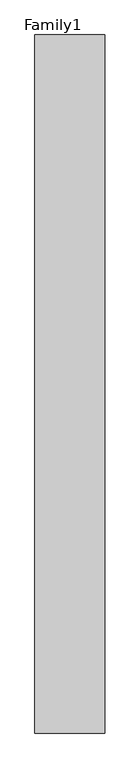
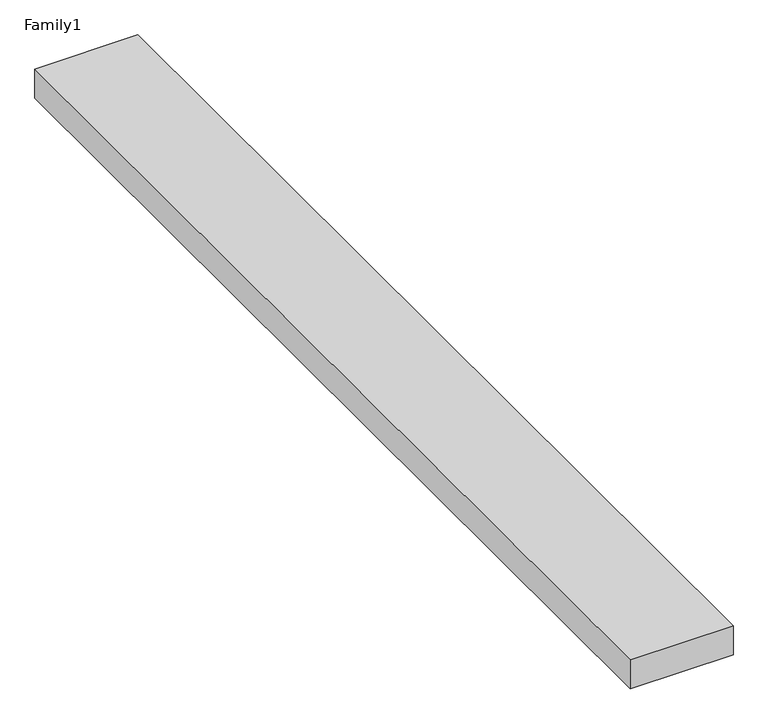
"""IFC4 building model written with IfcOpenShell, lengths in millimetres: proxy geometry, Family1."""

import ifcopenshell
import ifcopenshell.guid

model = None  # the IFC model being written
_history = None  # IfcOwnerHistory: only IFC2X3 demands one
_inside = {}  # id of a spatial element -> (the spatial element, [elements in it])
_under = {}  # id of a project, library or spatial element -> (it, [spatial elements below it])
_declared = {}  # id of a project -> (the project, [libraries it declares])
_typed = {}  # id of a type object -> (the type object, [elements of that type])
_made_of = {}  # id of a material, layer set ... -> (it, [elements and type objects made of it])


def new_model(schema):
    """Start an empty IFC model of exactly this schema.

    Asked for "IFC4X3", IfcOpenShell would pick the latest addendum, in which some entities
    have other attributes; the version numbers below select the first issue.
    IFC2X3 requires an IfcOwnerHistory on every rooted entity: one is made here for all.
    """
    global model, _history
    if schema == "IFC4X3":
        model = ifcopenshell.file(schema_version=(4, 3, 0, 0))
    else:
        model = ifcopenshell.file(schema=schema)
    _inside.clear()
    _under.clear()
    _declared.clear()
    _typed.clear()
    _made_of.clear()
    _history = None
    if model.schema == "IFC2X3":
        org = make("IfcOrganization", Name="unknown")
        user = make(
            "IfcPersonAndOrganization",
            ThePerson=make("IfcPerson", FamilyName="unknown"),
            TheOrganization=org,
        )
        app = make(
            "IfcApplication",
            ApplicationDeveloper=org,
            Version="unknown",
            ApplicationFullName="unknown",
            ApplicationIdentifier="unknown",
        )
        _history = make(
            "IfcOwnerHistory",
            OwningUser=user,
            OwningApplication=app,
            ChangeAction="ADDED",
            CreationDate=0,
        )
    return model


def make(cls, **values):
    """One entity of the class cls with the attributes given. An attribute that is None is left unset."""
    return model.create_entity(
        cls, **{name: value for name, value in values.items() if value is not None}
    )


def rooted(cls, **values):
    """An entity with a GlobalId (a new one), such as an element, a storey or a relation."""
    return make(cls, GlobalId=ifcopenshell.guid.new(), OwnerHistory=_history, **values)


def si_unit(unit_type, name, prefix=None):
    """IfcSIUnit, for example si_unit("LENGTHUNIT", "METRE", prefix="MILLI")."""
    return make("IfcSIUnit", UnitType=unit_type, Prefix=prefix, Name=name)


def assignment(units):
    """IfcUnitAssignment: the units of a project."""
    return None if units is None else make("IfcUnitAssignment", Units=units)


def point(xyz):
    """IfcCartesianPoint."""
    return None if xyz is None else make("IfcCartesianPoint", Coordinates=xyz)


def direction(xyz):
    """IfcDirection."""
    return None if xyz is None else make("IfcDirection", DirectionRatios=xyz)


def frame(location, z_axis=None, x_axis=None):
    """IfcAxis2Placement3D, a coordinate frame: its origin and axes. An axis left out is left unset."""
    return make(
        "IfcAxis2Placement3D",
        Location=point(location),
        Axis=direction(z_axis),
        RefDirection=direction(x_axis),
    )


def origin():
    """The frame at (0, 0, 0) with its axes left unset."""
    return frame((0.0, 0.0, 0.0))


def origin_with_axes():
    """The frame at (0, 0, 0) with the z axis (0, 0, 1) and the x axis (1, 0, 0) written out."""
    return frame((0.0, 0.0, 0.0), z_axis=(0.0, 0.0, 1.0), x_axis=(1.0, 0.0, 0.0))


def place(relative_to, where):
    """IfcLocalPlacement: puts the frame where relative to a parent placement (None: the world)."""
    return make(
        "IfcLocalPlacement", PlacementRelTo=relative_to, RelativePlacement=where
    )


def context(
    kind, dimensions, precision=None, world=None, true_north=None, identifier=None
):
    """IfcGeometricRepresentationContext, for example the 3D "Model" context."""
    return make(
        "IfcGeometricRepresentationContext",
        ContextIdentifier=identifier,
        ContextType=kind,
        CoordinateSpaceDimension=dimensions,
        Precision=precision,
        WorldCoordinateSystem=world,
        TrueNorth=true_north,
    )


def project(units=None, contexts=None):
    """IfcProject with its units and contexts."""
    return rooted(
        "IfcProject",
        Name="project",
        RepresentationContexts=contexts,
        UnitsInContext=assignment(units),
    )


def spatial(cls, under=None, at=None, **own):
    """A site, building, storey or space (cls), placed at a placement, below another one or the project."""
    s = rooted(cls, ObjectPlacement=at, **own)
    if under is not None:
        _under.setdefault(under.id(), (under, []))[1].append(s)
    return s


def polyline(points):
    """IfcPolyline through the points."""
    return make("IfcPolyline", Points=[point(p) for p in points])


def outline(outer, holes=None, kind="AREA"):
    """IfcArbitraryClosedProfileDef: a profile drawn as a closed curve; with holes, ...WithVoids."""
    if holes is None:
        return make("IfcArbitraryClosedProfileDef", ProfileType=kind, OuterCurve=outer)
    return make(
        "IfcArbitraryProfileDefWithVoids",
        ProfileType=kind,
        OuterCurve=outer,
        InnerCurves=holes,
    )


def extrude(swept, where, along, depth):
    """IfcExtrudedAreaSolid: the profile swept, set in the frame where, extruded along a direction by depth."""
    return make(
        "IfcExtrudedAreaSolid",
        SweptArea=swept,
        Position=where,
        ExtrudedDirection=direction(along),
        Depth=depth,
    )


def shape(context_of_items, identifier, shape_type, items):
    """IfcShapeRepresentation: the items that make up one representation, for example the "Body"."""
    return make(
        "IfcShapeRepresentation",
        ContextOfItems=context_of_items,
        RepresentationIdentifier=identifier,
        RepresentationType=shape_type,
        Items=items,
    )


def source(mapping_origin, context_of_items, identifier, shape_type, items):
    """IfcRepresentationMap: a shape defined once, which mapped items show again and again."""
    return make(
        "IfcRepresentationMap",
        MappingOrigin=mapping_origin,
        MappedRepresentation=shape(context_of_items, identifier, shape_type, items),
    )


def transform(
    local_origin,
    x_axis=None,
    y_axis=None,
    z_axis=None,
    scale=None,
    scale2=None,
    scale3=None,
    uniform=True,
):
    """IfcCartesianTransformationOperator3D, or its non-uniform kind. x_axis, y_axis, z_axis: its Axis1, 2, 3."""
    if uniform:
        return make(
            "IfcCartesianTransformationOperator3D",
            Axis1=direction(x_axis),
            Axis2=direction(y_axis),
            LocalOrigin=point(local_origin),
            Scale=scale,
            Axis3=direction(z_axis),
        )
    return make(
        "IfcCartesianTransformationOperator3DnonUniform",
        Axis1=direction(x_axis),
        Axis2=direction(y_axis),
        LocalOrigin=point(local_origin),
        Scale=scale,
        Axis3=direction(z_axis),
        Scale2=scale2,
        Scale3=scale3,
    )


def mapped(mapping_source, mapping_target):
    """IfcMappedItem: shows the shape of a source again, moved by a transform."""
    return make(
        "IfcMappedItem", MappingSource=mapping_source, MappingTarget=mapping_target
    )


def made_of(thing, what):
    """Note that an element or type object is made of a material, layer set ...; save() writes the relation."""
    if what is not None:
        _made_of.setdefault(what.id(), (what, []))[1].append(thing)
    return thing


def element(
    cls,
    number,
    at=None,
    inside=None,
    cuts=None,
    type_object=None,
    material=None,
    context=None,
    identifier="Body",
    shape_type=None,
    held_by="IfcProductDefinitionShape",
    body=None,
    shapes=None,
    **own,
):
    """One element of the class cls, such as IfcWall. Its Tag is "e" and its number.

    at: its placement. inside: the storey or other place that contains it. cuts: it is an
    opening in that element (IfcRelVoidsElement). A single representation is given by context,
    identifier, shape_type and body (its items); several are given by shapes. held_by: the class
    of the entity that holds the representations. save() writes the other relations.
    """
    e = rooted(cls, Tag="e%d" % number, ObjectPlacement=at, **own)
    if body is not None:
        shapes = [shape(context, identifier, shape_type, body)]
    if shapes is not None:
        e.Representation = make(held_by, Representations=shapes)
    if inside is not None:
        _inside.setdefault(inside.id(), (inside, []))[1].append(e)
    if cuts is not None:
        rooted(
            "IfcRelVoidsElement", RelatingBuildingElement=cuts, RelatedOpeningElement=e
        )
    if type_object is not None:
        _typed.setdefault(type_object.id(), (type_object, []))[1].append(e)
    return made_of(e, material)


def aggregate(whole, parts):
    """IfcRelAggregates: a whole, such as a stair, and the parts it consists of."""
    return rooted("IfcRelAggregates", RelatingObject=whole, RelatedObjects=parts)


def save(model, path):
    """Write the relations noted so far, then the file.

    IfcRelAggregates (storeys below a building ...), IfcRelContainedInSpatialStructure (elements
    in a storey), IfcRelDefinesByType, IfcRelAssociatesMaterial and IfcRelDeclares: one each for
    every whole, place, type object, material and project.
    """
    for whole, parts in _under.values():
        aggregate(whole, parts)
    for where, things in _inside.values():
        rooted(
            "IfcRelContainedInSpatialStructure",
            RelatedElements=things,
            RelatingStructure=where,
        )
    for kind, things in _typed.values():
        rooted("IfcRelDefinesByType", RelatedObjects=things, RelatingType=kind)
    for what, things in _made_of.values():
        rooted("IfcRelAssociatesMaterial", RelatedObjects=things, RelatingMaterial=what)
    for by, libraries in _declared.values():
        rooted("IfcRelDeclares", RelatingContext=by, RelatedDefinitions=libraries)
    model.write(path)


def family1_d8481dee(model_context):
    return source(origin(), model_context, "Body", "SweptSolid", [
        extrude(outline(polyline([(5000.0, 0.0), (0.0, 0.0), (0.0, 50000.0), (5000.0, 50000.0), (5000.0, 0.0)])), origin_with_axes(), (0.0, 0.0, 1.0), 1489.0),
    ])


if __name__ == "__main__":
    model = new_model("IFC4")
    model_context = context("Model", 3, world=origin())
    ifc_project = project(units=[si_unit("LENGTHUNIT", "METRE", prefix="MILLI")], contexts=[model_context])
    site = spatial("IfcSite", under=ifc_project)
    building = spatial("IfcBuilding", under=site)
    placement = place(None, origin())
    family1_shape = family1_d8481dee(model_context)
    element("IfcBuildingElementProxy", 1, Name="Family1", ObjectType="Family1", at=placement, inside=building, context=model_context, shape_type="MappedRepresentation", body=[
        mapped(family1_shape, transform((0.0, 0.0, 0.0), x_axis=(1.0, 0.0, 0.0), y_axis=(0.0, 1.0, 0.0), z_axis=(0.0, 0.0, 1.0))),
    ])
    save(model, "model.ifc")
